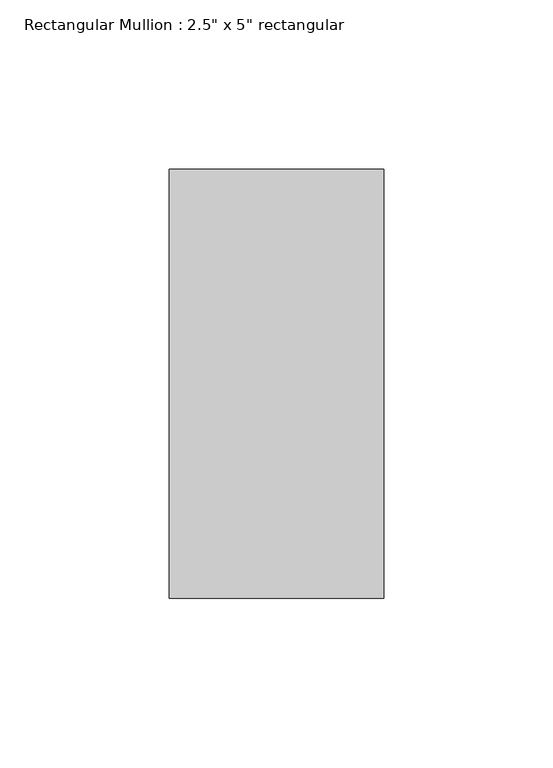
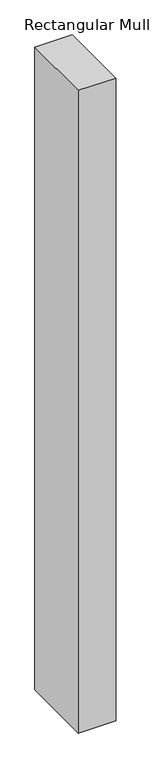
"""IFC4 building model written with IfcOpenShell, lengths in millimetres: member geometry."""

from ifc_helpers import new_model, si_unit, frame, origin, place, context, project, spatial, polyline, outline, extrude, source, transform, mapped, element, save


def member_5f94aa6e(model_context):
    return source(origin(), model_context, "Body", "SweptSolid", [
        extrude(outline(polyline([(31.75, 63.5), (31.75, -63.5), (-31.75, -63.5), (-31.75, 63.5), (31.75, 63.5)])), frame((0.0, 0.0, -1147.7126593), z_axis=(0.0, 0.0, 1.0), x_axis=(1.0, 0.0, 0.0)), (0.0, 0.0, 1.0), 1147.7126593),
    ])


if __name__ == "__main__":
    model = new_model("IFC4")
    model_context = context("Model", 3, world=origin())
    ifc_project = project(units=[si_unit("LENGTHUNIT", "METRE", prefix="MILLI")], contexts=[model_context])
    site = spatial("IfcSite", under=ifc_project)
    building = spatial("IfcBuilding", under=site)
    placement = place(None, origin())
    member_shape = member_5f94aa6e(model_context)
    element("IfcMember", 1, ObjectType="Rectangular Mullion : 2.5\" x 5\" rectangular", at=placement, inside=building, context=model_context, shape_type="MappedRepresentation", body=[
        mapped(member_shape, transform((0.0, 0.0, 0.0), x_axis=(1.0, 0.0, 0.0), y_axis=(0.0, 1.0, 0.0), z_axis=(0.0, 0.0, 1.0))),
    ])
    save(model, "model.ifc")
